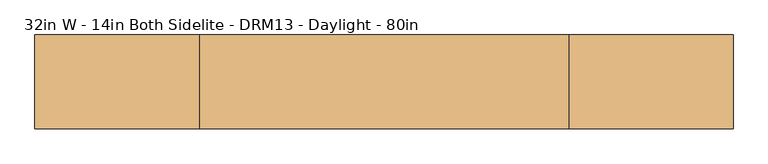
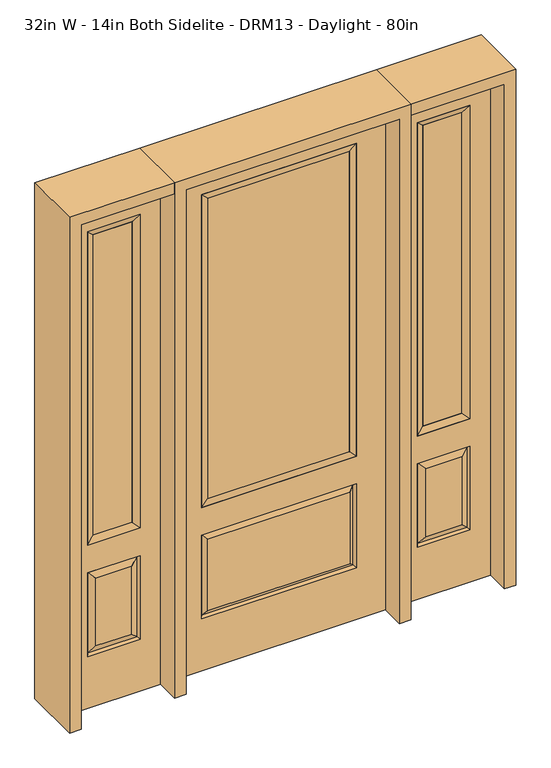
"""IFC4 building model written with IfcOpenShell, lengths in millimetres: door geometry, 32in W - 14in Both Sidelite - DRM13 - Daylight - 80in."""

from ifc_helpers import new_model, si_unit, frame, origin, place, context, project, spatial, polyline, outline, extrude, faceted_brep, source, transform, mapped, element, save


def door_32in_w_14in_both_sidelite_drm13_daylight_80in_7dba1b9e(model_context):
    return source(origin(), model_context, "Body", "SolidModel", [
        faceted_brep([(450.85, -22.225, 0.0), (806.45, -22.225, 0.0), (806.45, -22.225, 2032.0), (450.85, -22.225, 2032.0), (728.98, -22.225, 1919.224), (728.98, -22.225, 657.098), (528.32, -22.225, 657.098), (528.32, -22.225, 1919.224), (728.98, -22.225, 209.55), (528.32, -22.225, 209.55), (528.32, -22.225, 546.1), (728.98, -22.225, 546.1), (560.0351001, -22.225, 241.2651001), (697.2648999, -22.225, 241.2651001), (697.2648999, -22.225, 514.3848999), (560.0351001, -22.225, 514.3848999), (450.85, 22.225, 0.0), (450.85, 22.225, 2032.0), (806.45, 22.225, 2032.0), (806.45, 22.225, 0.0), (728.98, 22.225, 1919.224), (528.32, 22.225, 1919.224), (528.32, 22.225, 657.098), (728.98, 22.225, 657.098), (528.32, 22.225, 209.55), (728.98, 22.225, 209.55), (728.98, 22.225, 546.1), (528.32, 22.225, 546.1), (697.2648999, 22.225, 241.2651001), (560.0351001, 22.225, 241.2651001), (560.0351001, 22.225, 514.3848999), (697.2648999, 22.225, 514.3848999), (721.8711499, 12.7912373, 216.6588501), (535.4288501, 12.7912373, 216.6588501), (535.4288501, 12.7912373, 538.9911499), (721.8711499, 12.7912373, 538.9911499), (535.4288501, -12.7912373, 216.6588501), (721.8711499, -12.7912373, 216.6588501), (535.4288501, -12.7912373, 538.9911499), (721.8711499, -12.7912373, 538.9911499)], [[[0, 1, 2, 3], [4, 5, 6, 7], [8, 9, 10, 11]], [[12, 13, 14, 15]], [[16, 17, 18, 19], [20, 21, 22, 23], [24, 25, 26, 27]], [[28, 29, 30, 31]], [[1, 0, 16, 19]], [[2, 1, 19, 18]], [[3, 2, 18, 17]], [[0, 3, 17, 16]], [[5, 4, 20, 23]], [[6, 5, 23, 22]], [[7, 6, 22, 21]], [[4, 7, 21, 20]], [[32, 33, 29, 28]], [[33, 32, 25, 24]], [[29, 33, 34, 30]], [[33, 24, 27, 34]], [[30, 34, 35, 31]], [[34, 27, 26, 35]], [[32, 28, 31, 35]], [[25, 32, 35, 26]], [[12, 36, 37, 13]], [[37, 36, 9, 8]], [[36, 12, 15, 38]], [[9, 36, 38, 10]], [[38, 15, 14, 39]], [[10, 38, 39, 11]], [[13, 37, 39, 14]], [[37, 8, 11, 39]]]),
        faceted_brep([(528.32, 22.225, 1919.224), (528.32, -22.225, 1919.224), (728.98, -22.225, 1919.224), (728.98, 22.225, 1919.224), (553.72, 12.7, 1893.824), (703.58, 12.7, 1893.824), (553.72, -12.7, 1893.824), (703.58, -12.7, 1893.824), (728.98, -22.225, 657.098), (728.98, 22.225, 657.098), (703.58, 12.7, 682.498), (703.58, -12.7, 682.498), (528.32, -22.225, 657.098), (528.32, 22.225, 657.098), (553.72, 12.7, 682.498), (553.72, -12.7, 682.498)], [[[0, 1, 2, 3]], [[4, 0, 3, 5]], [[6, 4, 5, 7]], [[1, 6, 7, 2]], [[3, 2, 8, 9]], [[5, 3, 9, 10]], [[7, 5, 10, 11]], [[2, 7, 11, 8]], [[9, 8, 12, 13]], [[10, 9, 13, 14]], [[11, 10, 14, 15]], [[8, 11, 15, 12]], [[13, 12, 1, 0]], [[14, 13, 0, 4]], [[15, 14, 4, 6]], [[12, 15, 6, 1]]]),
        extrude(outline(polyline([(703.58, -12.7), (553.72, -12.7), (553.72, 12.7), (703.58, 12.7), (703.58, -12.7)])), frame((0.0, 0.0, 682.498), z_axis=(0.0, 0.0, 1.0), x_axis=(1.0, 0.0, 0.0)), (0.0, 0.0, 1.0), 1211.326),
        faceted_brep([(-806.45, -22.225, 0.0), (-450.85, -22.225, 0.0), (-450.85, -22.225, 2032.0), (-806.45, -22.225, 2032.0), (-528.32, -22.225, 1919.224), (-528.32, -22.225, 657.098), (-728.98, -22.225, 657.098), (-728.98, -22.225, 1919.224), (-528.32, -22.225, 209.55), (-728.98, -22.225, 209.55), (-728.98, -22.225, 546.1), (-528.32, -22.225, 546.1), (-697.2648999, -22.225, 241.2651001), (-560.0351001, -22.225, 241.2651001), (-560.0351001, -22.225, 514.3848999), (-697.2648999, -22.225, 514.3848999), (-806.45, 22.225, 0.0), (-806.45, 22.225, 2032.0), (-450.85, 22.225, 2032.0), (-450.85, 22.225, 0.0), (-528.32, 22.225, 1919.224), (-728.98, 22.225, 1919.224), (-728.98, 22.225, 657.098), (-528.32, 22.225, 657.098), (-728.98, 22.225, 209.55), (-528.32, 22.225, 209.55), (-528.32, 22.225, 546.1), (-728.98, 22.225, 546.1), (-560.0351001, 22.225, 241.2651001), (-697.2648999, 22.225, 241.2651001), (-697.2648999, 22.225, 514.3848999), (-560.0351001, 22.225, 514.3848999), (-535.4288501, 12.7912373, 216.6588501), (-721.8711499, 12.7912373, 216.6588501), (-721.8711499, 12.7912373, 538.9911499), (-535.4288501, 12.7912373, 538.9911499), (-721.8711499, -12.7912373, 216.6588501), (-535.4288501, -12.7912373, 216.6588501), (-721.8711499, -12.7912373, 538.9911499), (-535.4288501, -12.7912373, 538.9911499)], [[[0, 1, 2, 3], [4, 5, 6, 7], [8, 9, 10, 11]], [[12, 13, 14, 15]], [[16, 17, 18, 19], [20, 21, 22, 23], [24, 25, 26, 27]], [[28, 29, 30, 31]], [[1, 0, 16, 19]], [[2, 1, 19, 18]], [[3, 2, 18, 17]], [[0, 3, 17, 16]], [[5, 4, 20, 23]], [[6, 5, 23, 22]], [[7, 6, 22, 21]], [[4, 7, 21, 20]], [[32, 33, 29, 28]], [[33, 32, 25, 24]], [[29, 33, 34, 30]], [[33, 24, 27, 34]], [[30, 34, 35, 31]], [[34, 27, 26, 35]], [[32, 28, 31, 35]], [[25, 32, 35, 26]], [[12, 36, 37, 13]], [[37, 36, 9, 8]], [[36, 12, 15, 38]], [[9, 36, 38, 10]], [[38, 15, 14, 39]], [[10, 38, 39, 11]], [[13, 37, 39, 14]], [[37, 8, 11, 39]]]),
        faceted_brep([(-728.98, 22.225, 1919.224), (-728.98, -22.225, 1919.224), (-528.32, -22.225, 1919.224), (-528.32, 22.225, 1919.224), (-703.58, 12.7, 1893.824), (-553.72, 12.7, 1893.824), (-703.58, -12.7, 1893.824), (-553.72, -12.7, 1893.824), (-528.32, -22.225, 657.098), (-528.32, 22.225, 657.098), (-553.72, 12.7, 682.498), (-553.72, -12.7, 682.498), (-728.98, -22.225, 657.098), (-728.98, 22.225, 657.098), (-703.58, 12.7, 682.498), (-703.58, -12.7, 682.498)], [[[0, 1, 2, 3]], [[4, 0, 3, 5]], [[6, 4, 5, 7]], [[1, 6, 7, 2]], [[3, 2, 8, 9]], [[5, 3, 9, 10]], [[7, 5, 10, 11]], [[2, 7, 11, 8]], [[9, 8, 12, 13]], [[10, 9, 13, 14]], [[11, 10, 14, 15]], [[8, 11, 15, 12]], [[13, 12, 1, 0]], [[14, 13, 0, 4]], [[15, 14, 4, 6]], [[12, 15, 6, 1]]]),
        extrude(outline(polyline([(-553.72, -12.7), (-703.58, -12.7), (-703.58, 12.7), (-553.72, 12.7), (-553.72, -12.7)])), frame((0.0, 0.0, 682.498), z_axis=(0.0, 0.0, 1.0), x_axis=(1.0, 0.0, 0.0)), (0.0, 0.0, 1.0), 1211.326),
        faceted_brep([(-288.1661499, -12.7912373, 216.6588501), (288.1661499, -12.7912373, 216.6588501), (270.66875, -22.225, 234.15625), (-270.66875, -22.225, 234.15625), (-295.275, -22.225, 209.55), (295.275, -22.225, 209.55), (-288.1661499, -12.7912373, 538.9911499), (-295.275, -22.225, 546.1), (270.66875, -22.225, 521.49375), (-270.66875, -22.225, 521.49375), (406.4, -22.225, 2032.0), (-406.4, -22.225, 2032.0), (-406.4, -22.225, 0.0), (406.4, -22.225, 0.0), (295.275, -22.225, 546.1), (295.275, -22.225, 1917.7), (295.275, -22.225, 657.098), (-295.275, -22.225, 657.098), (-295.275, -22.225, 1917.7), (288.1661499, -12.7912373, 538.9911499), (-406.4, 22.225, 2032.0), (-406.4, 22.225, 0.0), (406.4, 22.225, 0.0), (406.4, 22.225, 2032.0), (295.275, 22.225, 1917.7), (295.275, 22.225, 657.098), (-295.275, 22.225, 657.098), (-295.275, 22.225, 1917.7), (-295.275, 22.225, 209.55), (295.275, 22.225, 209.55), (295.275, 22.225, 546.1), (-295.275, 22.225, 546.1), (270.66875, 22.225, 234.15625), (-270.66875, 22.225, 234.15625), (-270.66875, 22.225, 521.49375), (270.66875, 22.225, 521.49375), (-288.1661499, 12.7912373, 216.6588501), (288.1661499, 12.7912373, 216.6588501), (288.1661499, 12.7912373, 538.9911499), (-288.1661499, 12.7912373, 538.9911499)], [[[0, 1, 2, 3]], [[1, 0, 4, 5]], [[4, 0, 6, 7]], [[3, 2, 8, 9]], [[10, 11, 12, 13], [5, 4, 7, 14], [15, 16, 17, 18]], [[1, 5, 14, 19]], [[2, 1, 19, 8]], [[0, 3, 9, 6]], [[7, 6, 19, 14]], [[6, 9, 8, 19]], [[12, 11, 20, 21]], [[13, 12, 21, 22]], [[10, 13, 22, 23]], [[16, 15, 24, 25]], [[17, 16, 25, 26]], [[18, 17, 26, 27]], [[23, 22, 21, 20], [28, 29, 30, 31], [24, 27, 26, 25]], [[32, 33, 34, 35]], [[28, 36, 37, 29]], [[29, 37, 38, 30]], [[39, 31, 30, 38]], [[36, 28, 31, 39]], [[37, 36, 33, 32]], [[33, 36, 39, 34]], [[34, 39, 38, 35]], [[37, 32, 35, 38]], [[11, 10, 23, 20]], [[15, 18, 27, 24]]]),
        faceted_brep([(-295.275, -22.225, 1917.7), (-295.275, 22.225, 1917.7), (-295.275, 22.225, 657.098), (-295.275, -22.225, 657.098), (295.275, 22.225, 657.098), (295.275, -22.225, 657.098), (-269.875, 5.08, 682.498), (269.875, 5.08, 682.498), (295.275, 22.225, 1917.7), (295.275, -22.225, 1917.7), (-269.875, -20.32, 682.498), (269.875, -20.32, 682.498), (-269.875, -20.32, 1892.3), (269.875, -20.32, 1892.3), (-269.875, 5.08, 1892.3), (269.875, 5.08, 1892.3)], [[[0, 1, 2, 3]], [[3, 2, 4, 5]], [[2, 6, 7, 4]], [[5, 4, 8, 9]], [[10, 3, 5, 11]], [[12, 0, 3, 10]], [[11, 5, 9, 13]], [[6, 10, 11, 7]], [[14, 12, 10, 6]], [[7, 11, 13, 15]], [[1, 14, 6, 2]], [[4, 7, 15, 8]], [[9, 8, 1, 0]], [[13, 9, 0, 12]], [[15, 13, 12, 14]], [[8, 15, 14, 1]]]),
        extrude(outline(polyline([(269.875, -20.32), (-269.875, -20.32), (-269.875, 5.08), (269.875, 5.08), (269.875, -20.32)])), frame((0.0, 0.0, 682.498), z_axis=(0.0, 0.0, 1.0), x_axis=(1.0, 0.0, 0.0)), (0.0, 0.0, 1.0), 1209.802),
        extrude(outline(polyline([(2032.0, -450.85), (2076.45, -450.85), (2076.45, -850.9), (0.0, -850.9), (0.0, -806.45), (2032.0, -806.45), (2032.0, -450.85)])), frame((0.0, -114.3, 0.0), z_axis=(0.0, 1.0, 0.0), x_axis=(0.0, 0.0, 1.0)), (0.0, 0.0, 1.0), 228.6),
        extrude(outline(polyline([(2076.45, -450.85), (0.0, -450.85), (0.0, -406.4), (2032.0, -406.4), (2032.0, 406.4), (0.0, 406.4), (0.0, 450.85), (2076.45, 450.85), (2076.45, -450.85)])), frame((0.0, -114.3, 0.0), z_axis=(0.0, 1.0, 0.0), x_axis=(0.0, 0.0, 1.0)), (0.0, 0.0, 1.0), 228.6),
        extrude(outline(polyline([(0.0, 806.45), (0.0, 850.9), (2076.45, 850.9), (2076.45, 450.85), (2032.0, 450.85), (2032.0, 806.45), (0.0, 806.45)])), frame((0.0, -114.3, 0.0), z_axis=(0.0, 1.0, 0.0), x_axis=(0.0, 0.0, 1.0)), (0.0, 0.0, 1.0), 228.6),
    ])


if __name__ == "__main__":
    model = new_model("IFC4")
    model_context = context("Model", 3, world=origin())
    ifc_project = project(units=[si_unit("LENGTHUNIT", "METRE", prefix="MILLI")], contexts=[model_context])
    site = spatial("IfcSite", under=ifc_project)
    building = spatial("IfcBuilding", under=site)
    placement = place(None, origin())
    door_32in_w_14in_both_sidelite_drm13_daylight_80in_shape = door_32in_w_14in_both_sidelite_drm13_daylight_80in_7dba1b9e(model_context)
    element("IfcDoor", 1, ObjectType="32in W - 14in Both Sidelite - DRM13 - Daylight - 80in", at=placement, inside=building, context=model_context, shape_type="MappedRepresentation", body=[
        mapped(door_32in_w_14in_both_sidelite_drm13_daylight_80in_shape, transform((0.0, 0.0, 0.0), x_axis=(1.0, 0.0, 0.0), y_axis=(0.0, 1.0, 0.0), z_axis=(0.0, 0.0, 1.0))),
    ])
    save(model, "model.ifc")
